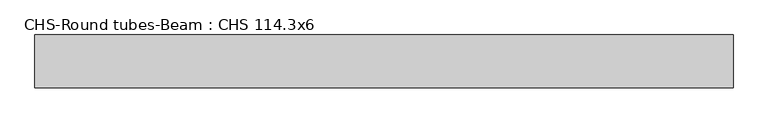
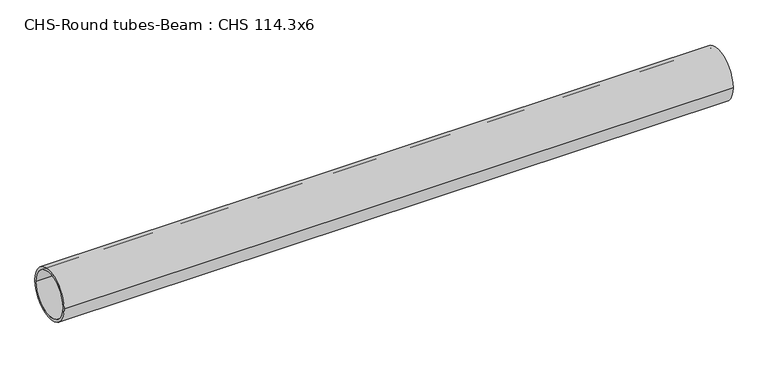
"""IFC4 building model written with IfcOpenShell, lengths in millimetres: beam geometry, CHS-Round tubes-Beam : CHS 114.3x6."""

from ifc_helpers import new_model, si_unit, point, frame, origin, origin_2d, place, context, project, spatial, circle_curve, trimmed, segment, composite_curve, outline, extrude, source, transform, mapped, element, save


def chs_round_tubes_beam_chs_114_3x6_e3d84059(model_context):
    return source(origin(), model_context, "Body", "SweptSolid", [
        extrude(outline(composite_curve([segment(trimmed(circle_curve(origin_2d(), 57.15), [point((57.15, 0.0))], [point((-57.15, 0.0))], False, "CARTESIAN"), True, "CONTINUOUS"), segment(trimmed(circle_curve(origin_2d(), 57.15), [point((-57.15, 0.0))], [point((57.15, 0.0))], False, "CARTESIAN"), True, "CONTINUOUS")], self_intersect=False), holes=[composite_curve([segment(trimmed(circle_curve(origin_2d(), 51.15), [point((51.15, 0.0))], [point((-51.15, 0.0))], True, "CARTESIAN"), True, "CONTINUOUS"), segment(trimmed(circle_curve(origin_2d(), 51.15), [point((-51.15, 0.0))], [point((51.15, 0.0))], True, "CARTESIAN"), True, "CONTINUOUS")], self_intersect=False)]), frame((-768.6746931, 0.0, 0.0), z_axis=(1.0, 0.0, 0.0), x_axis=(0.0, 1.0, 0.0)), (0.0, 0.0, 1.0), 1509.5303767),
    ])


if __name__ == "__main__":
    model = new_model("IFC4")
    model_context = context("Model", 3, world=origin())
    ifc_project = project(units=[si_unit("LENGTHUNIT", "METRE", prefix="MILLI")], contexts=[model_context])
    site = spatial("IfcSite", under=ifc_project)
    building = spatial("IfcBuilding", under=site)
    placement = place(None, origin())
    chs_round_tubes_beam_chs_114_3x6_shape = chs_round_tubes_beam_chs_114_3x6_e3d84059(model_context)
    element("IfcBeam", 1, ObjectType="CHS-Round tubes-Beam : CHS 114.3x6", at=placement, inside=building, context=model_context, shape_type="MappedRepresentation", body=[
        mapped(chs_round_tubes_beam_chs_114_3x6_shape, transform((0.0, 0.0, 0.0), x_axis=(1.0, 0.0, 0.0), y_axis=(0.0, 1.0, 0.0), z_axis=(0.0, 0.0, 1.0))),
    ])
    save(model, "model.ifc")
